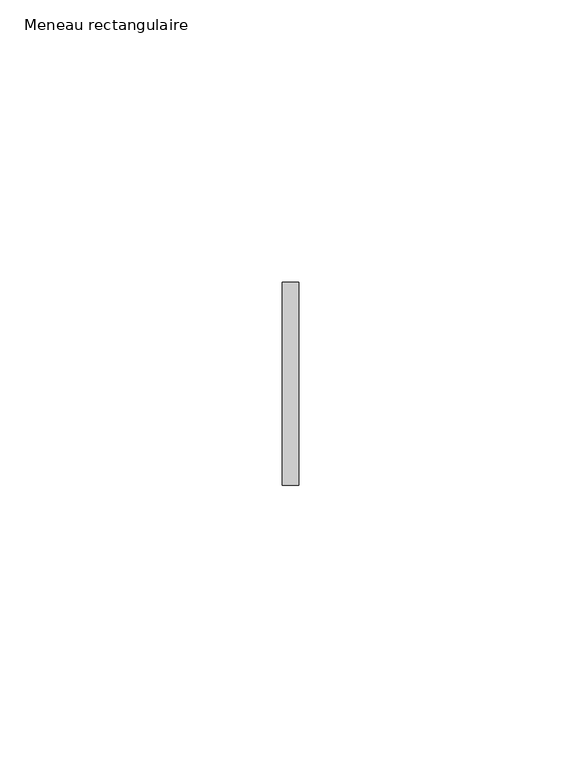
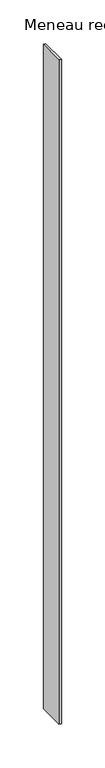
"""IFC4 building model written with IfcOpenShell, lengths in millimetres: member geometry, Meneau rectangulaire."""

from ifc_helpers import new_model, si_unit, frame, origin, place, context, project, spatial, polyline, outline, extrude, source, transform, mapped, element, save


def meneau_rectangulaire_5874f6b0(model_context):
    return source(origin(), model_context, "Body", "SweptSolid", [
        extrude(outline(polyline([(-1.5, 18.0), (1.5, 18.0), (1.5, -18.0), (-1.5, -18.0), (-1.5, 18.0)])), frame((0.0, 0.0, -930.0), z_axis=(0.0, 0.0, 1.0), x_axis=(1.0, 0.0, 0.0)), (0.0, 0.0, 1.0), 930.0),
    ])


if __name__ == "__main__":
    model = new_model("IFC4")
    model_context = context("Model", 3, world=origin())
    ifc_project = project(units=[si_unit("LENGTHUNIT", "METRE", prefix="MILLI")], contexts=[model_context])
    site = spatial("IfcSite", under=ifc_project)
    building = spatial("IfcBuilding", under=site)
    placement = place(None, origin())
    meneau_rectangulaire_shape = meneau_rectangulaire_5874f6b0(model_context)
    element("IfcMember", 1, ObjectType="Meneau rectangulaire", at=placement, inside=building, context=model_context, shape_type="MappedRepresentation", body=[
        mapped(meneau_rectangulaire_shape, transform((0.0, 0.0, 0.0), x_axis=(1.0, 0.0, 0.0), y_axis=(0.0, 1.0, 0.0), z_axis=(0.0, 0.0, 1.0))),
    ])
    save(model, "model.ifc")
